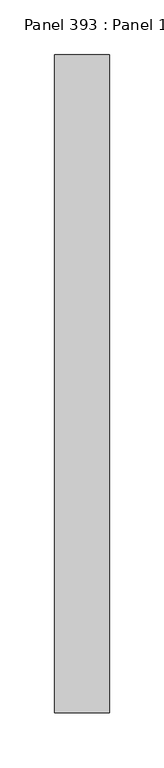
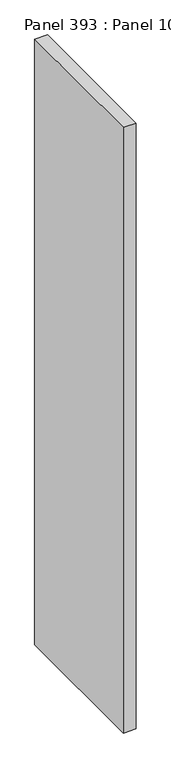
"""IFC4 building model written with IfcOpenShell, lengths in millimetres: proxy geometry, Panel 393 : Panel 1027."""

from ifc_helpers import new_model, si_unit, frame, origin, place, context, project, spatial, polyline, outline, extrude, source, transform, mapped, element, save


def panel_393_panel_1027_c7ea42ce(model_context):
    return source(origin(), model_context, "Body", "SweptSolid", [
        extrude(outline(polyline([(39817.4760624, 343405.7865636), (39767.4760203, 343405.7865632), (39767.4760418, 344005.7854591), (39817.4760839, 344005.7854595), (39817.4760624, 343405.7865636)])), frame((0.0, 0.0, 34575.0), z_axis=(0.0, 0.0, 1.0), x_axis=(1.0, 0.0, 0.0)), (0.0, 0.0, 1.0), 2500.0),
    ])


if __name__ == "__main__":
    model = new_model("IFC4")
    model_context = context("Model", 3, world=origin())
    ifc_project = project(units=[si_unit("LENGTHUNIT", "METRE", prefix="MILLI")], contexts=[model_context])
    site = spatial("IfcSite", under=ifc_project)
    building = spatial("IfcBuilding", under=site)
    placement = place(None, origin())
    panel_393_panel_1027_shape = panel_393_panel_1027_c7ea42ce(model_context)
    element("IfcBuildingElementProxy", 1, Name="Panel 393 : Panel 1027", ObjectType="Panel 393 : Panel 1027", at=placement, inside=building, context=model_context, shape_type="MappedRepresentation", body=[
        mapped(panel_393_panel_1027_shape, transform((0.0, 0.0, 0.0), x_axis=(1.0, 0.0, 0.0), y_axis=(0.0, 1.0, 0.0), z_axis=(0.0, 0.0, 1.0))),
    ])
    save(model, "model.ifc")
